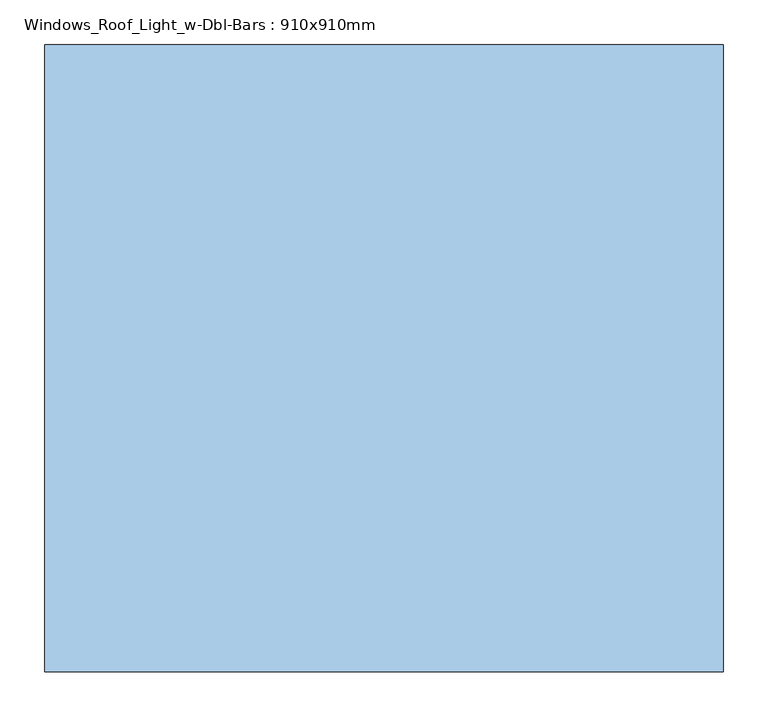
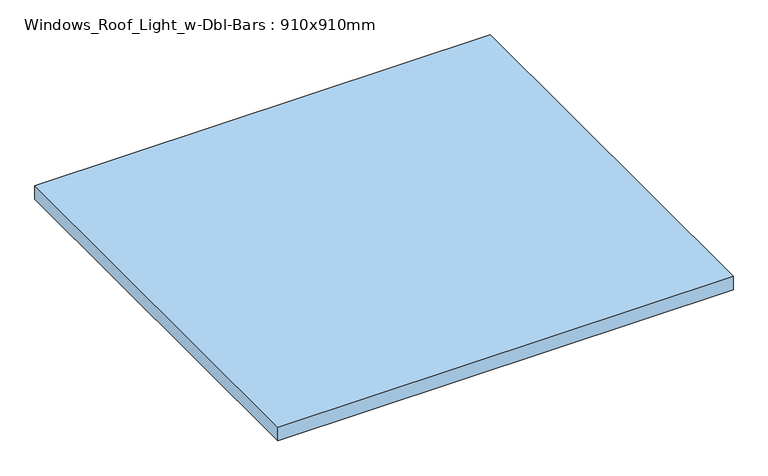
"""IFC4 building model written with IfcOpenShell, lengths in millimetres: window geometry, Windows_Roof_Light_w-Dbl-Bars : 910x910mm."""

from ifc_helpers import new_model, si_unit, frame, origin, place, context, project, spatial, polyline, outline, extrude, source, transform, mapped, element, save


def windows_roof_light_w_dbl_bars_910x910mm_44a9d36a(model_context):
    return source(origin(), model_context, "Body", "SweptSolid", [
        extrude(outline(polyline([(-111.1478018, -373.1596771), (644.9702937, -373.1596771), (644.9702937, -1072.2399183), (-111.1478018, -1072.2399183), (-111.1478018, -373.1596771)])), frame((0.0, 0.0, 3932.6), z_axis=(0.0, 0.0, 1.0), x_axis=(1.0, 0.0, 0.0)), (0.0, 0.0, 1.0), 24.0),
    ])


if __name__ == "__main__":
    model = new_model("IFC4")
    model_context = context("Model", 3, world=origin())
    ifc_project = project(units=[si_unit("LENGTHUNIT", "METRE", prefix="MILLI")], contexts=[model_context])
    site = spatial("IfcSite", under=ifc_project)
    building = spatial("IfcBuilding", under=site)
    placement = place(None, origin())
    windows_roof_light_w_dbl_bars_910x910mm_shape = windows_roof_light_w_dbl_bars_910x910mm_44a9d36a(model_context)
    element("IfcWindow", 1, ObjectType="Windows_Roof_Light_w-Dbl-Bars : 910x910mm", at=placement, inside=building, context=model_context, shape_type="MappedRepresentation", body=[
        mapped(windows_roof_light_w_dbl_bars_910x910mm_shape, transform((0.0, 0.0, 0.0), x_axis=(1.0, 0.0, 0.0), y_axis=(0.0, 1.0, 0.0), z_axis=(0.0, 0.0, 1.0))),
    ])
    save(model, "model.ifc")
